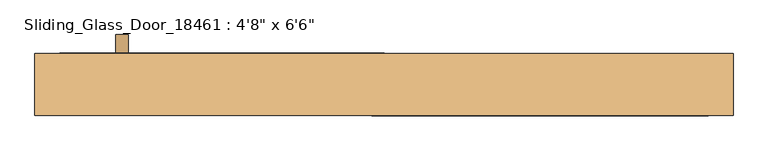
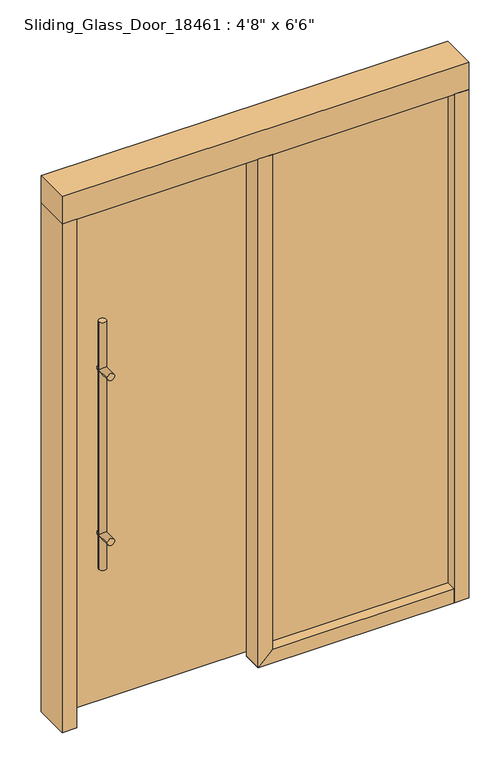
"""IFC4 building model written with IfcOpenShell, lengths in millimetres: door geometry."""

from ifc_helpers import new_model, si_unit, point, frame, frame_2d, origin, origin_with_axes, place, context, project, spatial, polyline, circle_curve, ellipse_curve, trimmed, segment, composite_curve, outline, extrude, faceted_brep, source, transform, mapped, element, save
from ifc_brep_helpers import plane_surface, cylinder_surface, advanced_brep


def door_06b22a31(model_context):
    return source(origin(), model_context, "Body", "SolidModel", [
        advanced_brep(
        [(-546.1, 0.0, 508.0), (-520.7, 0.0, 508.0), (-546.1, 50.8, 508.0), (-520.7, 50.8, 508.0), (-520.7, 0.0, 635.0), (-546.1, 0.0, 635.0), (-520.7, 0.0, 1244.6), (-546.1, 0.0, 1244.6), (-546.1, 0.0, 1422.4), (-520.7, 0.0, 1422.4), (-520.7, 50.8, 635.0), (-546.1, 50.8, 635.0), (-520.7, 50.8, 1244.6), (-546.1, 50.8, 1244.6), (-546.1, 50.8, 1422.4), (-520.7, 50.8, 1422.4), (-546.1, 101.6, 635.0), (-520.7, 101.6, 635.0), (-546.1, 101.6, 1244.6), (-520.7, 101.6, 1244.6), (-546.1, -50.8, 635.0), (-520.7, -50.8, 635.0), (-546.1, -50.8, 1244.6), (-520.7, -50.8, 1244.6)],
        [
            (0, 1, circle_curve(frame((-533.4, 0.0, 508.0), z_axis=(0.0, 0.0, -1.0), x_axis=(1.0, 0.0, 0.0)), 12.7)),
            (1, 0, circle_curve(frame((-533.4, 0.0, 508.0), z_axis=(0.0, 0.0, -1.0), x_axis=(1.0, 0.0, 0.0)), 12.7)),
            (2, 3, circle_curve(frame((-533.4, 50.8, 508.0), z_axis=(0.0, 0.0, -1.0), x_axis=(1.0, 0.0, 0.0)), 12.7)),
            (3, 2, circle_curve(frame((-533.4, 50.8, 508.0), z_axis=(0.0, 0.0, -1.0), x_axis=(1.0, 0.0, 0.0)), 12.7)),
            (1, 4),
            (4, 5, ellipse_curve(frame((-533.4, 0.0, 635.0), z_axis=(0.0, 0.7071067811865475, -0.7071067811865475), x_axis=(0.0, 0.7071067811865474, 0.7071067811865476)), 17.9605122, 12.7)),
            (5, 0),
            (5, 4, ellipse_curve(frame((-533.4, 0.0, 635.0), z_axis=(0.0, 0.7071067811865475, 0.7071067811865475), x_axis=(0.0, -0.7071067811865474, 0.7071067811865476)), 17.9605122, 12.7)),
            (4, 6),
            (6, 7, ellipse_curve(frame((-533.4, 0.0, 1244.6), z_axis=(0.0, 0.7071067811865475, -0.7071067811865475), x_axis=(0.0, 0.7071067811865474, 0.7071067811865476)), 17.9605122, 12.7)),
            (7, 5),
            (8, 7),
            (7, 6, ellipse_curve(frame((-533.4, 0.0, 1244.6), z_axis=(0.0, 0.7071067811865475, 0.7071067811865475), x_axis=(0.0, -0.7071067811865474, 0.7071067811865476)), 17.9605122, 12.7)),
            (6, 9),
            (9, 8, circle_curve(frame((-533.4, 0.0, 1422.4), z_axis=(0.0, 0.0, -1.0), x_axis=(1.0, 0.0, 0.0)), 12.7)),
            (5, 4, ellipse_curve(frame((-533.4, 0.0, 635.0), z_axis=(0.0, -0.7071067811865475, -0.7071067811865475), x_axis=(0.0, -0.7071067811865474, 0.7071067811865476)), 17.9605122, 12.7)),
            (6, 7, ellipse_curve(frame((-533.4, 0.0, 1244.6), z_axis=(0.0, -0.7071067811865475, 0.7071067811865475), x_axis=(0.0, 0.7071067811865474, 0.7071067811865476)), 17.9605122, 12.7)),
            (8, 9, circle_curve(frame((-533.4, 0.0, 1422.4), z_axis=(0.0, 0.0, -1.0), x_axis=(1.0, 0.0, 0.0)), 12.7)),
            (7, 6, ellipse_curve(frame((-533.4, 0.0, 1244.6), z_axis=(0.0, -0.7071067811865475, -0.7071067811865475), x_axis=(0.0, -0.7071067811865474, 0.7071067811865476)), 17.9605122, 12.7)),
            (4, 5, ellipse_curve(frame((-533.4, 0.0, 635.0), z_axis=(0.0, -0.7071067811865475, 0.7071067811865475), x_axis=(0.0, 0.7071067811865474, 0.7071067811865476)), 17.9605122, 12.7)),
            (3, 10),
            (10, 11, ellipse_curve(frame((-533.4, 50.8, 635.0), z_axis=(0.0, 0.7071067811865475, -0.7071067811865475), x_axis=(0.0, 0.7071067811865474, 0.7071067811865476)), 17.9605122, 12.7)),
            (11, 2),
            (11, 10, ellipse_curve(frame((-533.4, 50.8, 635.0), z_axis=(0.0, 0.7071067811865475, 0.7071067811865475), x_axis=(0.0, -0.7071067811865474, 0.7071067811865476)), 17.9605122, 12.7)),
            (10, 12),
            (12, 13, ellipse_curve(frame((-533.4, 50.8, 1244.6), z_axis=(0.0, 0.7071067811865475, -0.7071067811865475), x_axis=(0.0, 0.7071067811865474, 0.7071067811865476)), 17.9605122, 12.7)),
            (13, 11),
            (14, 13),
            (13, 12, ellipse_curve(frame((-533.4, 50.8, 1244.6), z_axis=(0.0, 0.7071067811865475, 0.7071067811865475), x_axis=(0.0, -0.7071067811865474, 0.7071067811865476)), 17.9605122, 12.7)),
            (12, 15),
            (15, 14, circle_curve(frame((-533.4, 50.8, 1422.4), z_axis=(0.0, 0.0, -1.0), x_axis=(1.0, 0.0, 0.0)), 12.7)),
            (11, 10, ellipse_curve(frame((-533.4, 50.8, 635.0), z_axis=(0.0, -0.7071067811865475, -0.7071067811865475), x_axis=(0.0, -0.7071067811865474, 0.7071067811865476)), 17.9605122, 12.7)),
            (12, 13, ellipse_curve(frame((-533.4, 50.8, 1244.6), z_axis=(0.0, -0.7071067811865475, 0.7071067811865475), x_axis=(0.0, 0.7071067811865474, 0.7071067811865476)), 17.9605122, 12.7)),
            (14, 15, circle_curve(frame((-533.4, 50.8, 1422.4), z_axis=(0.0, 0.0, -1.0), x_axis=(1.0, 0.0, 0.0)), 12.7)),
            (13, 12, ellipse_curve(frame((-533.4, 50.8, 1244.6), z_axis=(0.0, -0.7071067811865475, -0.7071067811865475), x_axis=(0.0, -0.7071067811865474, 0.7071067811865476)), 17.9605122, 12.7)),
            (10, 11, ellipse_curve(frame((-533.4, 50.8, 635.0), z_axis=(0.0, -0.7071067811865475, 0.7071067811865475), x_axis=(0.0, 0.7071067811865474, 0.7071067811865476)), 17.9605122, 12.7)),
            (16, 17, circle_curve(frame((-533.4, 101.6, 635.0), z_axis=(0.0, 1.0, 0.0), x_axis=(1.0, 0.0, 0.0)), 12.7)),
            (17, 16, circle_curve(frame((-533.4, 101.6, 635.0), z_axis=(0.0, 1.0, 0.0), x_axis=(1.0, 0.0, 0.0)), 12.7)),
            (18, 19, circle_curve(frame((-533.4, 101.6, 1244.6), z_axis=(0.0, 1.0, 0.0), x_axis=(1.0, 0.0, 0.0)), 12.7)),
            (19, 18, circle_curve(frame((-533.4, 101.6, 1244.6), z_axis=(0.0, 1.0, 0.0), x_axis=(1.0, 0.0, 0.0)), 12.7)),
            (10, 4),
            (5, 11),
            (20, 5),
            (4, 21),
            (21, 20, circle_curve(frame((-533.4, -50.8, 635.0), z_axis=(0.0, 1.0, 0.0), x_axis=(1.0, 0.0, 0.0)), 12.7)),
            (17, 10),
            (11, 16),
            (20, 21, circle_curve(frame((-533.4, -50.8, 635.0), z_axis=(0.0, 1.0, 0.0), x_axis=(1.0, 0.0, 0.0)), 12.7)),
            (22, 23, circle_curve(frame((-533.4, -50.8, 1244.6), z_axis=(0.0, -1.0, 0.0), x_axis=(1.0, 0.0, 0.0)), 12.7)),
            (23, 22, circle_curve(frame((-533.4, -50.8, 1244.6), z_axis=(0.0, -1.0, 0.0), x_axis=(1.0, 0.0, 0.0)), 12.7)),
            (12, 6),
            (7, 13),
            (19, 12),
            (13, 18),
            (22, 7),
            (6, 23),
        ],
        [
            plane_surface(frame((-520.7, 0.0, 508.0), z_axis=(0.0, 0.0, -1.0), x_axis=(0.0, 1.0, 0.0))),
            cylinder_surface(frame((-533.4, 0.0, 508.0), z_axis=(0.0, 0.0, 1.0), x_axis=(1.0, 0.0, 0.0)), 12.7),
            cylinder_surface(frame((-533.4, 50.8, 0.0), z_axis=(0.0, 0.0, 1.0), x_axis=(1.0, 0.0, 0.0)), 12.7),
            plane_surface(frame((-520.7, 101.6, 1244.6), z_axis=(0.0, 1.0, 0.0), x_axis=(0.0, 0.0, 1.0))),
            cylinder_surface(frame((-533.4, 0.0, 635.0), z_axis=(0.0, 1.0, 0.0), x_axis=(1.0, 0.0, 0.0)), 12.7),
            plane_surface(frame((-520.7, -50.8, 1244.6), z_axis=(0.0, -1.0, 0.0), x_axis=(0.0, 0.0, -1.0))),
            plane_surface(frame((-520.7, 0.0, 1422.4), z_axis=(0.0, 0.0, 1.0), x_axis=(0.0, -1.0, 0.0))),
            cylinder_surface(frame((-533.4, -50.8, 1244.6), z_axis=(0.0, 1.0, 0.0), x_axis=(1.0, 0.0, 0.0)), 12.7),
        ],
        [
            (0, [[1, 2]]),
            (0, [[3, 4]]),
            (1, [[5, 6, 7, -2]]),
            (1, [[8, 9, 10, 11]]),
            (1, [[12, 13, 14, 15]]),
            (1, [[-7, 16, -5, -1]]),
            (1, [[-14, 17, -12, 18]]),
            (1, [[19, -9, 20, -11]]),
            (2, [[21, 22, 23, -4]]),
            (2, [[24, 25, 26, 27]]),
            (2, [[28, 29, 30, 31]]),
            (2, [[-23, 32, -21, -3]]),
            (2, [[-30, 33, -28, 34]]),
            (2, [[35, -25, 36, -27]]),
            (3, [[37, 38]]),
            (3, [[39, 40]]),
            (4, [[-22, 41, -16, 42]]),
            (4, [[43, -6, 44, 45]]),
            (4, [[46, -32, 47, -38]]),
            (4, [[-20, -41, -24, -42]]),
            (4, [[-47, -36, -46, -37]]),
            (4, [[-44, -8, -43, 48]]),
            (5, [[-45, -48]]),
            (5, [[49, 50]]),
            (6, [[-15, -18]]),
            (6, [[-31, -34]]),
            (7, [[-26, 51, -19, 52]]),
            (7, [[53, -35, 54, -40]]),
            (7, [[55, -10, 56, -49]]),
            (7, [[-17, -51, -29, -52]]),
            (7, [[-54, -33, -53, -39]]),
            (7, [[-56, -13, -55, -50]]),
        ],
    ),
        extrude(outline(polyline([(0.0, 25.4), (0.0, 12.7), (-660.4, 12.7), (-660.4, 25.4), (0.0, 25.4)])), frame((0.0, 0.0, 12.7), z_axis=(0.0, 0.0, 1.0), x_axis=(1.0, 0.0, 0.0)), (0.0, 0.0, 1.0), 1866.9),
        faceted_brep([(25.4, 6.35, 50.8), (0.0, 6.35, 25.4), (-6.35, 6.35, 25.4), (-6.35, 6.35, 19.05), (-25.4, 6.35, 0.0), (-25.4, 6.35, 1879.6), (25.4, 6.35, 1879.6), (-25.4, -63.5, 0.0), (-6.35, -22.225, 19.05), (0.0, -22.225, 25.4), (25.4, -63.5, 50.8), (25.4, -63.5, 1879.6), (-25.4, -63.5, 1879.6), (-6.35, -22.225, 25.4)], [[[0, 1, 2, 3, 4, 5, 6]], [[7, 4, 3, 8, 9, 1, 0, 10]], [[6, 11, 10, 0]], [[4, 7, 12, 5]], [[7, 10, 11, 12]], [[5, 12, 11, 6]], [[13, 8, 3, 2]], [[2, 1, 9, 13]], [[9, 8, 13]]]),
        extrude(outline(polyline([(-660.4, 63.5), (-660.4, -63.5), (-711.2, -63.5), (-711.2, 63.5), (-660.4, 63.5)])), origin_with_axes(), (0.0, 0.0, 1.0), 1879.6),
        extrude(outline(polyline([(711.2, 63.5), (711.2, -63.5), (660.4, -63.5), (660.4, 63.5), (711.2, 63.5)])), origin_with_axes(), (0.0, 0.0, 1.0), 1879.6),
        extrude(outline(polyline([(660.4, -12.7), (660.4, -25.4), (25.4, -25.4), (25.4, -12.7), (660.4, -12.7)])), frame((0.0, 0.0, 50.8), z_axis=(0.0, 0.0, 1.0), x_axis=(1.0, 0.0, 0.0)), (0.0, 0.0, 1.0), 1828.8),
        extrude(outline(polyline([(-6.35, 6.35), (6.35, 6.35), (6.35, -19.05), (-6.35, -19.05), (-6.35, 6.35)])), origin_with_axes(), (0.0, 0.0, 1.0), 3.175),
        faceted_brep([(-25.4, 6.35, 0.0), (-6.35, 6.35, 19.05), (-6.35, 6.35, 3.175), (6.35, 6.35, 3.175), (6.35, 6.35, 25.4), (0.0, 6.35, 25.4), (25.4, 6.35, 50.8), (660.4, 6.35, 50.8), (660.4, 6.35, 0.0), (-25.4, -63.5, 0.0), (660.4, -63.5, 0.0), (660.4, -63.5, 50.8), (25.4, -63.5, 50.8), (0.0, -22.225, 25.4), (-6.35, -22.225, 19.05), (6.35, -22.225, 25.4), (-6.35, -22.225, 3.175), (6.35, -22.225, 3.175)], [[[0, 1, 2, 3, 4, 5, 6, 7, 8]], [[9, 10, 11, 12]], [[8, 10, 9, 0]], [[7, 11, 10, 8]], [[6, 12, 11, 7]], [[12, 6, 5, 13, 14, 1, 0, 9]], [[15, 13, 5, 4]], [[16, 17, 3, 2]], [[16, 14, 13, 15, 17]], [[4, 3, 17, 15]], [[2, 1, 14, 16]]]),
        extrude(outline(composite_curve([segment(trimmed(circle_curve(frame_2d((25.4, 1873.7035714)), 38.5535714), [point((63.5, 1879.6))], [point((25.4, 1835.15))], False, "CARTESIAN"), True, "CONTINUOUS"), segment(polyline([(25.4, 1835.15), (6.35, 1835.15), (6.35, 1879.6), (63.5, 1879.6)]), True, "CONTINUOUS")], self_intersect=False)), frame((-660.4, 0.0, 0.0), z_axis=(1.0, 0.0, 0.0), x_axis=(0.0, 1.0, 0.0)), (0.0, 0.0, 1.0), 660.4),
        extrude(outline(polyline([(711.2, 63.5), (711.2, -63.5), (-711.2, -63.5), (-711.2, 63.5), (711.2, 63.5)])), frame((0.0, 0.0, 1879.6), z_axis=(0.0, 0.0, 1.0), x_axis=(1.0, 0.0, 0.0)), (0.0, 0.0, 1.0), 101.6),
    ])


if __name__ == "__main__":
    model = new_model("IFC4")
    model_context = context("Model", 3, world=origin())
    ifc_project = project(units=[si_unit("LENGTHUNIT", "METRE", prefix="MILLI")], contexts=[model_context])
    site = spatial("IfcSite", under=ifc_project)
    building = spatial("IfcBuilding", under=site)
    placement = place(None, origin())
    door_shape = door_06b22a31(model_context)
    element("IfcDoor", 1, ObjectType="Sliding_Glass_Door_18461 : 4'8\" x 6'6\"", at=placement, inside=building, context=model_context, shape_type="MappedRepresentation", body=[
        mapped(door_shape, transform((0.0, 0.0, 0.0), x_axis=(1.0, 0.0, 0.0), y_axis=(0.0, 1.0, 0.0), z_axis=(0.0, 0.0, 1.0))),
    ])
    save(model, "model.ifc")
